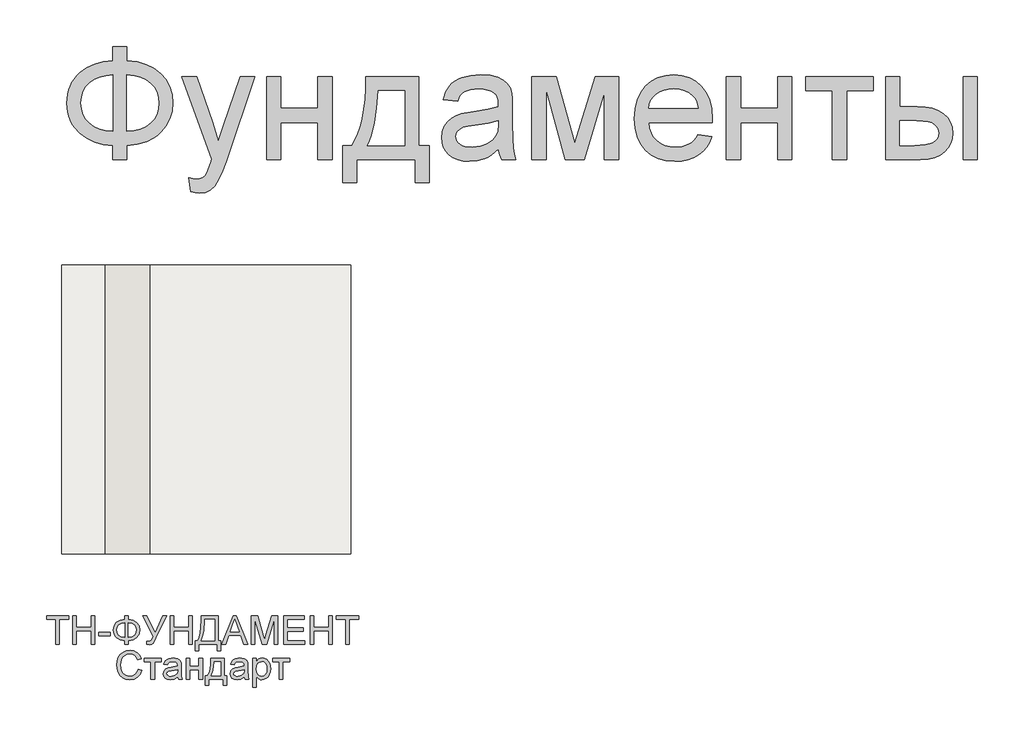
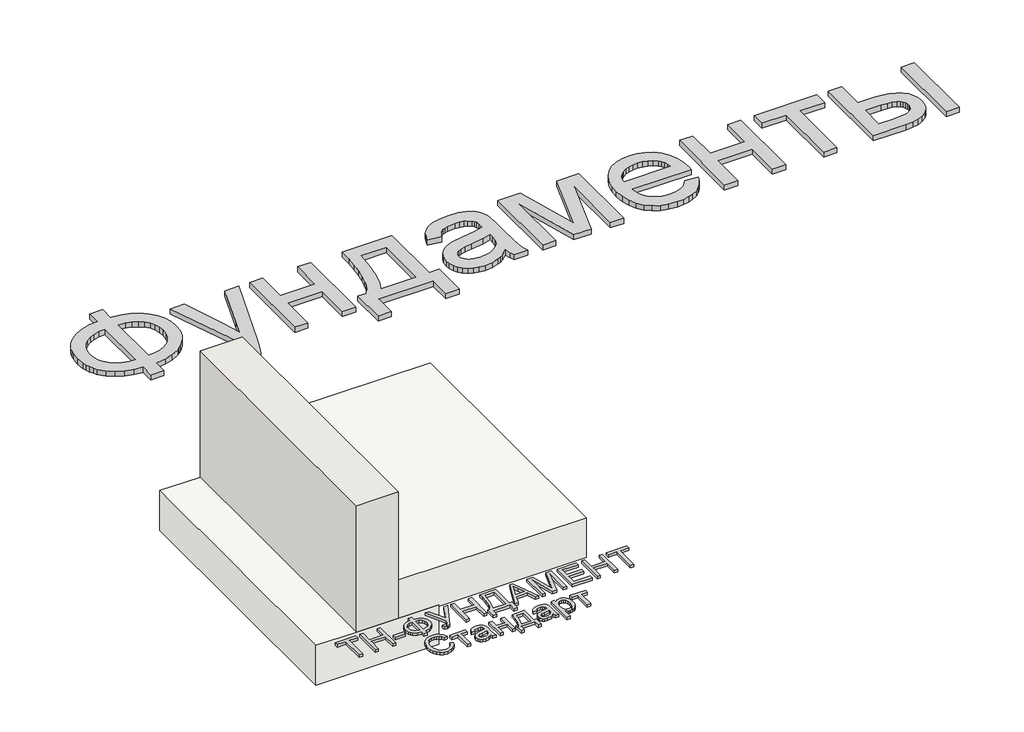
# One storey: 2 proxies, 2 slabs, 1 wall.
"""IFC4 building model written with IfcOpenShell, lengths in millimetres."""

from ifc_helpers import new_model, si_unit, frame, origin, origin_with_axes, place, context, project, spatial, polyline, outline, extrude, faceted_brep, element, save

model = new_model("IFC4")

# Units and contexts
model_context = context("Model", 3, world=origin())
ifc_project = project(units=[si_unit("LENGTHUNIT", "METRE", prefix="MILLI")], contexts=[model_context])

# Site, building, storey
site = spatial("IfcSite", under=ifc_project)
building = spatial("IfcBuilding", under=site)
storey = spatial("IfcBuildingStorey", under=building, Elevation=0.0)

# Proxies
placement = place(None, origin())
element("IfcBuildingElementProxy", 1, Name="Generic Models", at=placement, inside=storey, context=model_context, shape_type="SweptSolid", body=[
    extrude(outline(polyline([(-1939.8736325, -26885.7211043), (-1939.8736325, -26787.7817103), (-1841.9342386, -26787.7817103), (-1841.9342386, -26885.7211043), (-1772.0723186, -26894.3529698), (-1709.9695132, -26912.2144755), (-1655.6258224, -26939.3056213), (-1609.0412461, -26975.6264073), (-1571.6743546, -27019.0607113), (-1544.9837177, -27067.4924111), (-1528.9693356, -27120.9215067), (-1523.6312083, -27179.3479982), (-1528.8019587, -27236.6028514), (-1544.3142102, -27289.3863505), (-1570.1679625, -27337.6984954), (-1606.3632158, -27381.5392861), (-1628.1416397, -27401.1761824), (-1652.1109076, -27418.4817577), (-1706.6219753, -27446.0989452), (-1769.896419, -27464.3908486), (-1841.9342386, -27473.3574679), (-1841.9342386, -27571.2968619), (-1939.8736325, -27571.2968619), (-1939.8736325, -27473.3574679), (-2005.3060425, -27466.0586398), (-2065.0237272, -27449.518216), (-2119.0266865, -27423.7361966), (-2167.3149204, -27388.7125816), (-2207.0669327, -27345.8939854), (-2222.6837947, -27322.10405), (-2235.4612272, -27296.7270228), (-2245.3992303, -27269.7629041), (-2252.4978039, -27241.2116938), (-2258.1766628, -27179.3479982), (-2252.5157371, -27117.2033486), (-2245.4395801, -27088.5878775), (-2235.5329602, -27061.6103088), (-2222.7958774, -27036.2706426), (-2207.2283318, -27012.5688789), (-2188.8303234, -26990.5050176), (-2167.6018522, -26970.0790588), (-2119.4032845, -26935.3961753), (-2065.382392, -26909.775555), (-2005.5391746, -26893.217198), (-1939.8736325, -26885.7211043)]), holes=[polyline([(-1841.9342386, -26983.6604982), (-1841.9342386, -27375.418074), (-1793.3949393, -27370.2234125), (-1750.3073446, -27359.2303372), (-1712.6714545, -27342.4388481), (-1680.4872689, -27319.8489452), (-1654.7112272, -27291.9627591), (-1636.2997689, -27259.2824206), (-1625.2528939, -27221.8079296), (-1621.5706022, -27179.5392861), (-1625.1871387, -27137.922217), (-1636.036748, -27100.872146), (-1654.1194303, -27068.389073), (-1679.4351855, -27040.4729982), (-1711.2905951, -27017.6977852), (-1748.9922405, -27000.6372975), (-1792.5401216, -26989.2915352), (-1841.9342386, -26983.6604982)]), polyline([(-1939.8736325, -26983.6604982), (-1986.781007, -26988.5861611), (-2028.989873, -26999.3461043), (-2066.5002305, -27015.9403278), (-2099.3120795, -27038.3688316), (-2125.9668498, -27066.2012179), (-2145.0059715, -27099.0070891), (-2156.4294445, -27136.7864452), (-2160.2372689, -27179.5392861), (-2156.4772665, -27221.9035735), (-2145.1972594, -27259.4737085), (-2126.3972476, -27292.2496909), (-2100.077231, -27320.231521), (-2067.5044919, -27342.8692459), (-2029.9463124, -27359.612913), (-1987.4026926, -27370.4625224), (-1939.8736325, -27375.418074), (-1939.8736325, -26983.6604982)])]), origin_with_axes(), (0.0, 0.0, 1.0), 40.0),
    extrude(outline(polyline([(-1401.2069658, -27791.6604982), (-1413.4493901, -27697.355574), (-1386.764731, -27703.8115399), (-1363.7145416, -27705.9635285), (-1337.5559242, -27703.2615872), (-1317.2315871, -27695.1557634), (-1301.4025151, -27682.2199206), (-1288.7296931, -27665.0279225), (-1261.9493901, -27592.9123922), (-1254.2978749, -27569.1926952), (-1462.4190871, -26995.9029225), (-1359.1236325, -26995.9029225), (-1248.7505264, -27315.35368), (-1210.3016628, -27443.1339831), (-1171.8527992, -27330.2741346), (-1058.4190871, -26995.9029225), (-955.888784, -26995.9029225), (-1156.1671931, -27585.0695891), (-1185.9124583, -27663.4019755), (-1208.1974961, -27712.8498922), (-1234.8343333, -27753.6420323), (-1265.0099961, -27781.9048164), (-1300.0634999, -27798.403396), (-1341.3338598, -27803.9029225), (-1369.6922878, -27800.8423164), (-1401.2069658, -27791.6604982)])), origin_with_axes(), (0.0, 0.0, 1.0), 40.0),
    extrude(outline(polyline([(-874.7827234, -26995.9029225), (-776.8433295, -26995.9029225), (-776.8433295, -27216.2665588), (-519.7524204, -27216.2665588), (-519.7524204, -26995.9029225), (-421.8130264, -26995.9029225), (-421.8130264, -27571.2968619), (-519.7524204, -27571.2968619), (-519.7524204, -27314.2059528), (-776.8433295, -27314.2059528), (-776.8433295, -27571.2968619), (-874.7827234, -27571.2968619), (-874.7827234, -26995.9029225)])), origin_with_axes(), (0.0, 0.0, 1.0), 40.0),
    extrude(outline(polyline([(-189.2069658, -26995.9029225), (178.0657614, -26995.9029225), (178.0657614, -27473.3574679), (251.5203069, -27473.3574679), (251.5203069, -27730.448377), (153.5809129, -27730.448377), (153.5809129, -27571.2968619), (-250.4190871, -27571.2968619), (-250.4190871, -27730.448377), (-348.358481, -27730.448377), (-348.358481, -27473.3574679), (-287.1463598, -27473.3574679), (-263.2293972, -27436.3970631), (-242.648017, -27392.9448259), (-225.4022192, -27343.0007563), (-211.4920037, -27286.5648543), (-200.9173707, -27223.6371199), (-193.67832, -27154.2175531), (-189.7748517, -27078.306154), (-189.2069658, -26995.9029225)]), holes=[polyline([(-103.5099961, -27093.8423164), (-111.5440871, -27213.7559054), (-126.4645416, -27316.979627), (-148.2713598, -27403.5134812), (-161.7571552, -27440.521708), (-176.9645416, -27473.3574679), (80.1263675, -27473.3574679), (80.1263675, -27093.8423164), (-103.5099961, -27093.8423164)])]), origin_with_axes(), (0.0, 0.0, 1.0), 40.0),
    extrude(outline(polyline([(728.9748523, -27497.8423164), (682.181055, -27537.964949), (658.2640924, -27552.8256261), (634.0004205, -27564.2192103), (583.3330436, -27578.7092672), (529.079019, -27583.5392861), (485.4713604, -27580.6341014), (447.2317179, -27571.9185475), (414.3600914, -27557.3926242), (386.8564811, -27537.0563316), (365.1393291, -27512.2008628), (349.6270777, -27484.1174111), (340.3197269, -27452.8059764), (337.2172766, -27418.2665588), (341.9038296, -27377.6657066), (355.9634887, -27340.7949679), (377.650752, -27309.2324679), (405.2201175, -27284.5563316), (437.619502, -27265.9057634), (473.796822, -27252.4199679), (558.5373523, -27237.6908013), (658.6765569, -27222.1964831), (728.4009887, -27204.0241346), (728.9748523, -27182.2173164), (727.2891279, -27158.4737085), (722.2319546, -27138.5080361), (713.8033325, -27122.3202994), (702.0032614, -27109.9104982), (681.6071914, -27097.5246081), (656.7636781, -27088.6775437), (627.4727217, -27083.369305), (593.734322, -27081.5998922), (535.391519, -27086.3103562), (512.8195493, -27092.1984362), (494.6472008, -27100.4417482), (479.7147908, -27111.6858888), (466.8626364, -27126.5764547), (456.0907378, -27145.1134457), (447.3990948, -27167.2968619), (349.4597008, -27155.0544376), (366.4604111, -27101.4938316), (378.0990829, -27079.0175058), (391.829966, -27059.4104982), (408.2448571, -27042.2782776), (427.9355531, -27027.2263126), (450.902054, -27014.2546033), (477.1443599, -27003.3631497), (537.3283088, -26988.5861611), (606.359322, -26983.6604982), (672.5688391, -26988.0122975), (725.0534508, -27001.0676952), (764.6261307, -27020.6986138), (792.0998523, -27044.7769755), (810.3200228, -27074.5461516), (822.1320493, -27111.2495134), (825.718697, -27145.1074679), (826.9142463, -27196.9464831), (826.9142463, -27318.7968619), (828.1576175, -27424.9377236), (831.8877311, -27488.94743), (839.2523145, -27531.0068524), (851.3990948, -27571.2968619), (753.4597008, -27571.2968619), (737.7740948, -27537.2476194), (728.9748523, -27497.8423164)]), holes=[polyline([(728.9748523, -27301.9635285), (663.171822, -27318.2708202), (570.9710645, -27331.9957255), (520.1602217, -27339.5037747), (486.7087539, -27347.8726194), (464.7823807, -27358.7282066), (448.546822, -27373.6964831), (438.5042084, -27391.6297217), (435.1566705, -27411.3801952), (436.9798831, -27426.599537), (442.4495209, -27440.5037747), (451.5655839, -27453.0929083), (464.328072, -27464.3669376), (480.6174305, -27473.6563552), (500.3141042, -27480.2916535), (549.9293978, -27485.5998922), (602.5335645, -27479.7417009), (626.5401932, -27472.4189618), (649.016519, -27462.167127), (686.7002311, -27436.2715304), (712.9066705, -27405.450271), (724.5274092, -27373.6964831), (728.4009887, -27329.700271), (728.9748523, -27301.9635285)])]), origin_with_axes(), (0.0, 0.0, 1.0), 40.0),
    extrude(outline(polyline([(961.5809129, -26995.9029225), (1130.1055342, -26995.9029225), (1259.9900039, -27456.5241346), (1400.0127311, -26995.9029225), (1561.4597008, -26995.9029225), (1561.4597008, -27571.2968619), (1463.5203069, -27571.2968619), (1463.5203069, -27107.9976194), (1322.7324281, -27571.2968619), (1194.1869736, -27571.2968619), (1059.5203069, -27085.8082255), (1059.5203069, -27571.2968619), (961.5809129, -27571.2968619), (961.5809129, -26995.9029225)])), origin_with_axes(), (0.0, 0.0, 1.0), 40.0),
    extrude(outline(polyline([(2111.2210645, -27399.9029225), (2207.2475796, -27412.1453467), (2192.5243907, -27450.6061658), (2172.6483845, -27484.4999869), (2147.6195611, -27513.8268098), (2117.4379205, -27538.5866346), (2082.4143055, -27558.2534196), (2042.8595588, -27572.3011232), (1998.7736805, -27580.7297454), (1950.1566705, -27583.5392861), (1889.3869025, -27578.6913339), (1835.2404773, -27564.1474774), (1787.717395, -27539.9077165), (1746.8176554, -27505.9720513), (1713.9280957, -27463.2849656), (1690.4355531, -27412.7909433), (1676.3400275, -27354.4899845), (1671.641519, -27288.3820891), (1676.3878495, -27220.0325389), (1690.626841, -27159.7888126), (1714.3584934, -27107.6509102), (1747.5828069, -27063.6188316), (1788.374947, -27028.6370607), (1834.8100796, -27003.6500816), (1886.8882046, -26988.6578941), (1944.609322, -26983.6604982), (2000.4713604, -26988.6459386), (2050.9892936, -27003.6022596), (2096.1631218, -27028.5294613), (2135.9928448, -27063.4275437), (2168.5058064, -27107.3639783), (2191.7293504, -27159.4062369), (2205.6634769, -27219.5543192), (2210.3081857, -27287.8082255), (2209.734322, -27314.2059528), (1769.5809129, -27314.2059528), (1775.2537941, -27353.2884575), (1786.5338012, -27387.5170323), (1803.4209343, -27416.8916772), (1825.9151932, -27441.4123922), (1852.773207, -27460.7444234), (1882.7516042, -27474.5530172), (1915.850385, -27482.8381734), (1952.0695493, -27485.5998922), (2004.1954963, -27480.4829414), (2048.0960645, -27465.1320891), (2066.9618315, -27453.3798401), (2083.7712539, -27438.590896), (2098.5243315, -27420.7652567), (2111.2210645, -27399.9029225)]), holes=[polyline([(1769.5809129, -27216.2665588), (2112.3687917, -27216.2665588), (2107.3355294, -27188.5537274), (2099.1221061, -27164.5231876), (2087.7285218, -27144.1749395), (2073.1547766, -27127.5089831), (2046.4462065, -27107.4237558), (2016.0553448, -27093.0771649), (1981.9821914, -27084.4692103), (1944.2267463, -27081.5998922), (1909.7889504, -27083.889369), (1878.2085171, -27090.7577994), (1849.4854466, -27102.2051834), (1823.6197387, -27118.231521), (1801.9145422, -27138.0955716), (1785.6730057, -27161.0560948), (1774.8951293, -27187.1130906), (1769.5809129, -27216.2665588)])]), origin_with_axes(), (0.0, 0.0, 1.0), 40.0),
    extrude(outline(polyline([(2308.2475796, -26995.9029225), (2406.1869736, -26995.9029225), (2406.1869736, -27216.2665588), (2663.2778826, -27216.2665588), (2663.2778826, -26995.9029225), (2761.2172766, -26995.9029225), (2761.2172766, -27571.2968619), (2663.2778826, -27571.2968619), (2663.2778826, -27314.2059528), (2406.1869736, -27314.2059528), (2406.1869736, -27571.2968619), (2308.2475796, -27571.2968619), (2308.2475796, -26995.9029225)])), origin_with_axes(), (0.0, 0.0, 1.0), 40.0),
    extrude(outline(polyline([(2859.1566705, -26995.9029225), (3324.3687917, -26995.9029225), (3324.3687917, -27093.8423164), (3140.7324281, -27093.8423164), (3140.7324281, -27571.2968619), (3042.7930342, -27571.2968619), (3042.7930342, -27093.8423164), (2859.1566705, -27093.8423164), (2859.1566705, -26995.9029225)])), origin_with_axes(), (0.0, 0.0, 1.0), 40.0),
    extrude(outline(polyline([(3948.7324281, -26995.9029225), (4046.671822, -26995.9029225), (4046.671822, -27571.2968619), (3948.7324281, -27571.2968619), (3948.7324281, -26995.9029225)])), origin_with_axes(), (0.0, 0.0, 1.0), 40.0),
    extrude(outline(polyline([(3410.0657614, -26995.9029225), (3508.0051554, -26995.9029225), (3508.0051554, -27204.0241346), (3629.0903826, -27204.0241346), (3684.8089551, -27207.0907184), (3733.7487633, -27216.2904698), (3775.9098074, -27231.6233888), (3811.2920872, -27253.0894755), (3839.2858727, -27279.9474892), (3859.2814338, -27311.4561895), (3871.2787704, -27347.6155763), (3875.2778826, -27388.4256497), (3871.924367, -27424.8361019), (3861.8638201, -27458.5087463), (3845.096242, -27489.443583), (3821.6216326, -27517.6406119), (3790.7824399, -27541.1152212), (3751.9211118, -27557.8827994), (3705.0376483, -27567.9433462), (3650.1320493, -27571.2968619), (3410.0657614, -27571.2968619), (3410.0657614, -26995.9029225)]), holes=[polyline([(3508.0051554, -27473.3574679), (3608.6225796, -27473.3574679), (3686.6202122, -27468.2166062), (3715.8274802, -27461.790529), (3738.5070493, -27452.794021), (3755.495804, -27441.0716606), (3767.6306289, -27426.4680266), (3774.9115237, -27408.983119), (3777.3384887, -27388.6169376), (3775.5391871, -27372.1542245), (3770.1412823, -27356.6240399), (3761.1447742, -27342.0263836), (3748.5496629, -27328.3612558), (3729.8094286, -27316.8122501), (3702.3775512, -27308.5629603), (3666.2540308, -27303.6133865), (3621.4388675, -27301.9635285), (3508.0051554, -27301.9635285), (3508.0051554, -27473.3574679)])]), origin_with_axes(), (0.0, 0.0, 1.0), 40.0),
])
element("IfcBuildingElementProxy", 2, Name="Generic Models", at=placement, inside=storey, context=model_context, shape_type="SweptSolid", body=[
    extrude(outline(polyline([(-2334.1540222, -30929.3289166), (-2334.1540222, -30757.0212243), (-2398.7694068, -30757.0212243), (-2398.7694068, -30732.4058397), (-2244.923253, -30732.4058397), (-2244.923253, -30757.0212243), (-2309.5386376, -30757.0212243), (-2309.5386376, -30929.3289166), (-2334.1540222, -30929.3289166)])), origin_with_axes(), (0.0, 0.0, 1.0), 20.0),
    extrude(outline(polyline([(-2217.2309453, -30929.3289166), (-2217.2309453, -30732.4058397), (-2192.6155606, -30732.4058397), (-2192.6155606, -30812.4058397), (-2088.000176, -30812.4058397), (-2088.000176, -30732.4058397), (-2063.3847914, -30732.4058397), (-2063.3847914, -30929.3289166), (-2088.000176, -30929.3289166), (-2088.000176, -30837.0212243), (-2192.6155606, -30837.0212243), (-2192.6155606, -30929.3289166), (-2217.2309453, -30929.3289166)])), origin_with_axes(), (0.0, 0.0, 1.0), 20.0),
    extrude(outline(polyline([(-2035.6924837, -30870.8673782), (-2035.6924837, -30846.2519936), (-1958.7694068, -30846.2519936), (-1958.7694068, -30870.8673782), (-2035.6924837, -30870.8673782)])), origin_with_axes(), (0.0, 0.0, 1.0), 20.0),
    extrude(outline(polyline([(-1857.2309453, -30757.0212243), (-1857.2309453, -30732.4058397), (-1832.6155606, -30732.4058397), (-1832.6155606, -30757.0212243), (-1799.4484933, -30763.6798782), (-1774.0819068, -30779.6173782), (-1757.9821472, -30802.7063205), (-1752.6155606, -30830.8193012), (-1757.813878, -30858.4755512), (-1773.4088299, -30881.6366089), (-1798.6071472, -30897.8625705), (-1832.6155606, -30904.713532), (-1832.6155606, -30929.3289166), (-1857.2309453, -30929.3289166), (-1857.2309453, -30904.713532), (-1888.6852722, -30898.7219455), (-1914.3944068, -30883.4394936), (-1924.3853924, -30872.6777748), (-1931.5218106, -30860.3205032), (-1937.2309453, -30830.8193012), (-1931.5398395, -30801.2279551), (-1924.4259573, -30788.9022339), (-1914.4665222, -30778.2231474), (-1888.7754164, -30763.0668974), (-1857.2309453, -30757.0212243)]), holes=[polyline([(-1857.2309453, -30781.6366089), (-1879.6287818, -30785.5789166), (-1897.3030606, -30795.3866089), (-1908.7874356, -30810.6269936), (-1912.6155606, -30830.8673782), (-1908.8355126, -30850.9575224), (-1897.4953683, -30866.2279551), (-1879.8691664, -30876.1257916), (-1857.2309453, -30880.0981474), (-1857.2309453, -30781.6366089)]), polyline([(-1832.6155606, -30781.6366089), (-1832.6155606, -30880.0981474), (-1809.5867145, -30876.0296378), (-1792.0386376, -30866.1318012), (-1780.9328683, -30850.9094455), (-1777.2309453, -30830.8673782), (-1780.8667626, -30811.0957436), (-1791.7742145, -30795.9154551), (-1809.2561856, -30785.9034359), (-1832.6155606, -30781.6366089)])]), origin_with_axes(), (0.0, 0.0, 1.0), 20.0),
    extrude(outline(polyline([(-1732.6155606, -30732.4058397), (-1705.3559453, -30732.4058397), (-1646.4617145, -30849.0404551), (-1593.4809453, -30732.4058397), (-1566.4617145, -30732.4058397), (-1641.2213299, -30885.8193012), (-1661.5578683, -30923.5116089), (-1671.2093106, -30930.182282), (-1684.298253, -30932.4058397), (-1706.4617145, -30929.3289166), (-1706.4617145, -30907.7904551), (-1687.0867145, -30907.7904551), (-1672.7117145, -30902.3096859), (-1659.3944068, -30877.3577628), (-1732.6155606, -30732.4058397)])), origin_with_axes(), (0.0, 0.0, 1.0), 20.0),
    extrude(outline(polyline([(-1543.3847914, -30929.3289166), (-1543.3847914, -30732.4058397), (-1518.7694068, -30732.4058397), (-1518.7694068, -30812.4058397), (-1414.1540222, -30812.4058397), (-1414.1540222, -30732.4058397), (-1389.5386376, -30732.4058397), (-1389.5386376, -30929.3289166), (-1414.1540222, -30929.3289166), (-1414.1540222, -30837.0212243), (-1518.7694068, -30837.0212243), (-1518.7694068, -30929.3289166), (-1543.3847914, -30929.3289166)])), origin_with_axes(), (0.0, 0.0, 1.0), 20.0),
    extrude(outline(polyline([(-1328.000176, -30732.4058397), (-1211.0770991, -30732.4058397), (-1211.0770991, -30904.713532), (-1192.6155606, -30904.713532), (-1192.6155606, -30975.4827628), (-1217.2309453, -30975.4827628), (-1217.2309453, -30929.3289166), (-1343.3847914, -30929.3289166), (-1343.3847914, -30975.4827628), (-1368.000176, -30975.4827628), (-1368.000176, -30904.713532), (-1352.6155606, -30904.713532), (-1341.8463299, -30882.3848061), (-1334.1540222, -30850.9755512), (-1329.5386376, -30810.4857676), (-1328.000176, -30760.9154551), (-1328.000176, -30732.4058397)]), holes=[polyline([(-1235.6924837, -30757.0212243), (-1303.3847914, -30757.0212243), (-1303.3847914, -30766.9250705), (-1308.3847914, -30834.3769936), (-1315.7886376, -30873.3553589), (-1328.000176, -30904.713532), (-1235.6924837, -30904.713532), (-1235.6924837, -30757.0212243)])]), origin_with_axes(), (0.0, 0.0, 1.0), 20.0),
    extrude(outline(polyline([(-1184.7790222, -30929.3289166), (-1106.173253, -30732.4058397), (-1085.2117145, -30732.4058397), (-1006.6059453, -30929.3289166), (-1032.6155606, -30929.3289166), (-1055.1636376, -30867.7904551), (-1136.2694068, -30867.7904551), (-1158.7694068, -30929.3289166), (-1184.7790222, -30929.3289166)]), holes=[polyline([(-1127.2309453, -30843.1750705), (-1064.1540222, -30843.1750705), (-1081.8944068, -30794.7616089), (-1095.6924837, -30757.0212243), (-1107.9520991, -30790.5308397), (-1127.2309453, -30843.1750705)])]), origin_with_axes(), (0.0, 0.0, 1.0), 20.0),
    extrude(outline(polyline([(-980.3078683, -30929.3289166), (-980.3078683, -30732.4058397), (-937.9520991, -30732.4058397), (-897.6636376, -30871.2039166), (-889.5386376, -30900.1943012), (-880.7405606, -30868.8000705), (-841.125176, -30732.4058397), (-798.7694068, -30732.4058397), (-798.7694068, -30929.3289166), (-823.3847914, -30929.3289166), (-823.3847914, -30757.0212243), (-872.8559453, -30929.3289166), (-906.2213299, -30929.3289166), (-955.6924837, -30757.0212243), (-955.6924837, -30929.3289166), (-980.3078683, -30929.3289166)])), origin_with_axes(), (0.0, 0.0, 1.0), 20.0),
    extrude(outline(polyline([(-755.6924837, -30929.3289166), (-755.6924837, -30732.4058397), (-614.1540222, -30732.4058397), (-614.1540222, -30757.0212243), (-731.0770991, -30757.0212243), (-731.0770991, -30815.4827628), (-620.3078683, -30815.4827628), (-620.3078683, -30840.0981474), (-731.0770991, -30840.0981474), (-731.0770991, -30904.713532), (-611.0770991, -30904.713532), (-611.0770991, -30929.3289166), (-755.6924837, -30929.3289166)])), origin_with_axes(), (0.0, 0.0, 1.0), 20.0),
    extrude(outline(polyline([(-574.1540222, -30929.3289166), (-574.1540222, -30732.4058397), (-549.5386376, -30732.4058397), (-549.5386376, -30812.4058397), (-444.923253, -30812.4058397), (-444.923253, -30732.4058397), (-420.3078683, -30732.4058397), (-420.3078683, -30929.3289166), (-444.923253, -30929.3289166), (-444.923253, -30837.0212243), (-549.5386376, -30837.0212243), (-549.5386376, -30929.3289166), (-574.1540222, -30929.3289166)])), origin_with_axes(), (0.0, 0.0, 1.0), 20.0),
    extrude(outline(polyline([(-328.000176, -30929.3289166), (-328.000176, -30757.0212243), (-392.6155606, -30757.0212243), (-392.6155606, -30732.4058397), (-238.7694068, -30732.4058397), (-238.7694068, -30757.0212243), (-303.3847914, -30757.0212243), (-303.3847914, -30929.3289166), (-328.000176, -30929.3289166)])), origin_with_axes(), (0.0, 0.0, 1.0), 20.0),
    extrude(outline(polyline([(-1764.923253, -31102.4058397), (-1740.3078683, -31108.7519936), (-1751.6660414, -31137.4358878), (-1769.4905606, -31158.3914166), (-1792.9040222, -31171.2099262), (-1821.0290222, -31175.4827628), (-1849.5807049, -31172.2495897), (-1872.2549837, -31162.5500705), (-1889.6347914, -31146.7207436), (-1902.3030606, -31125.0981474), (-1910.0374356, -31099.6774743), (-1912.6155606, -31072.4539166), (-1909.7008972, -31043.7399743), (-1900.9569068, -31018.9443012), (-1886.8403203, -30998.854157), (-1867.8078683, -30984.2568012), (-1845.235753, -30975.3685801), (-1820.500176, -30972.4058397), (-1793.5109933, -30976.2399743), (-1771.1972914, -30987.7423782), (-1754.2561856, -31006.2039166), (-1743.3847914, -31030.9154551), (-1768.000176, -31036.7808397), (-1776.5338299, -31018.8301186), (-1788.1924837, -31006.5164166), (-1803.1203683, -30999.3950224), (-1821.4617145, -30997.0212243), (-1842.6035414, -30999.6534359), (-1859.9713299, -31007.5500705), (-1873.1504164, -31019.8818012), (-1881.7261376, -31035.8193012), (-1886.4316664, -31053.8361282), (-1888.000176, -31072.4058397), (-1886.1432049, -31095.1462243), (-1880.5722914, -31114.8096859), (-1871.0770991, -31130.6450224), (-1857.4472914, -31141.901032), (-1841.1071472, -31148.6257916), (-1823.4809453, -31150.8673782), (-1802.9340703, -31147.8144936), (-1785.812676, -31138.6558397), (-1772.8859933, -31123.4875705), (-1764.923253, -31102.4058397)])), origin_with_axes(), (0.0, 0.0, 1.0), 20.0),
    extrude(outline(polyline([(-1721.8463299, -31027.7904551), (-1604.923253, -31027.7904551), (-1604.923253, -31052.4058397), (-1651.0770991, -31052.4058397), (-1651.0770991, -31172.4058397), (-1675.6924837, -31172.4058397), (-1675.6924837, -31052.4058397), (-1721.8463299, -31052.4058397), (-1721.8463299, -31027.7904551)])), origin_with_axes(), (0.0, 0.0, 1.0), 20.0),
    extrude(outline(polyline([(-1491.0770991, -31153.9443012), (-1514.9472914, -31170.6269936), (-1541.3174837, -31175.4827628), (-1561.8883972, -31172.5620897), (-1577.062676, -31163.8000705), (-1586.4196472, -31150.494782), (-1589.5386376, -31133.9443012), (-1584.8270991, -31114.4731474), (-1572.4472914, -31100.338532), (-1555.2117145, -31092.2616089), (-1533.9136376, -31088.5596859), (-1491.2213299, -31080.0981474), (-1491.0770991, -31074.6173782), (-1492.7718106, -31063.6318012), (-1497.8559453, -31056.4443012), (-1509.2261376, -31051.1077628), (-1525.0674837, -31049.3289166), (-1549.9713299, -31054.0644936), (-1556.954503, -31060.6330032), (-1561.8463299, -31070.8673782), (-1586.4617145, -31067.7904551), (-1575.812676, -31043.7519936), (-1566.7381568, -31035.6630512), (-1554.3703683, -31029.6654551), (-1521.8944068, -31024.713532), (-1492.062676, -31029.088532), (-1475.2117145, -31040.0741089), (-1467.6636376, -31056.7808397), (-1466.4617145, -31078.3193012), (-1466.4617145, -31108.9443012), (-1465.2117145, -31151.7087243), (-1460.3078683, -31172.4058397), (-1484.923253, -31172.4058397), (-1491.0770991, -31153.9443012)]), holes=[polyline([(-1491.0770991, -31104.713532), (-1530.7886376, -31112.2616089), (-1551.9665222, -31116.2519936), (-1561.5578683, -31122.7423782), (-1564.923253, -31132.213532), (-1563.0903203, -31139.5332436), (-1557.5915222, -31145.5308397), (-1548.547051, -31149.5332436), (-1536.0770991, -31150.8673782), (-1522.8559453, -31149.3950224), (-1511.173253, -31144.9779551), (-1495.1155606, -31130.7231474), (-1491.2213299, -31111.6846859), (-1491.0770991, -31104.713532)])]), origin_with_axes(), (0.0, 0.0, 1.0), 20.0),
    extrude(outline(polyline([(-1432.6155606, -31027.7904551), (-1408.000176, -31027.7904551), (-1408.000176, -31083.1750705), (-1343.3847914, -31083.1750705), (-1343.3847914, -31027.7904551), (-1318.7694068, -31027.7904551), (-1318.7694068, -31172.4058397), (-1343.3847914, -31172.4058397), (-1343.3847914, -31107.7904551), (-1408.000176, -31107.7904551), (-1408.000176, -31172.4058397), (-1432.6155606, -31172.4058397), (-1432.6155606, -31027.7904551)])), origin_with_axes(), (0.0, 0.0, 1.0), 20.0),
    extrude(outline(polyline([(-1260.3078683, -31027.7904551), (-1168.000176, -31027.7904551), (-1168.000176, -31147.7904551), (-1149.5386376, -31147.7904551), (-1149.5386376, -31212.4058397), (-1174.1540222, -31212.4058397), (-1174.1540222, -31172.4058397), (-1275.6924837, -31172.4058397), (-1275.6924837, -31212.4058397), (-1300.3078683, -31212.4058397), (-1300.3078683, -31147.7904551), (-1284.923253, -31147.7904551), (-1273.7393587, -31127.5801186), (-1265.9088299, -31100.8433397), (-1261.4316664, -31067.5801186), (-1260.3078683, -31027.7904551)]), holes=[polyline([(-1238.7694068, -31052.4058397), (-1244.5386376, -31108.4875705), (-1257.2309453, -31147.7904551), (-1192.6155606, -31147.7904551), (-1192.6155606, -31052.4058397), (-1238.7694068, -31052.4058397)])]), origin_with_axes(), (0.0, 0.0, 1.0), 20.0),
    extrude(outline(polyline([(-1029.5386376, -31153.9443012), (-1053.4088299, -31170.6269936), (-1079.7790222, -31175.4827628), (-1100.3499356, -31172.5620897), (-1115.5242145, -31163.8000705), (-1124.8811856, -31150.494782), (-1128.000176, -31133.9443012), (-1123.2886376, -31114.4731474), (-1110.9088299, -31100.338532), (-1093.673253, -31092.2616089), (-1072.375176, -31088.5596859), (-1029.6828683, -31080.0981474), (-1029.5386376, -31074.6173782), (-1031.2333491, -31063.6318012), (-1036.3174837, -31056.4443012), (-1047.687676, -31051.1077628), (-1063.5290222, -31049.3289166), (-1088.4328683, -31054.0644936), (-1095.4160414, -31060.6330032), (-1100.3078683, -31070.8673782), (-1124.923253, -31067.7904551), (-1114.2742145, -31043.7519936), (-1105.1996953, -31035.6630512), (-1092.8319068, -31029.6654551), (-1060.3559453, -31024.713532), (-1030.5242145, -31029.088532), (-1013.673253, -31040.0741089), (-1006.125176, -31056.7808397), (-1004.923253, -31078.3193012), (-1004.923253, -31108.9443012), (-1003.673253, -31151.7087243), (-998.7694068, -31172.4058397), (-1023.3847914, -31172.4058397), (-1029.5386376, -31153.9443012)]), holes=[polyline([(-1029.5386376, -31104.713532), (-1069.250176, -31112.2616089), (-1090.4280606, -31116.2519936), (-1100.0194068, -31122.7423782), (-1103.3847914, -31132.213532), (-1101.5518587, -31139.5332436), (-1096.0530606, -31145.5308397), (-1087.0085895, -31149.5332436), (-1074.5386376, -31150.8673782), (-1061.3174837, -31149.3950224), (-1049.6347914, -31144.9779551), (-1033.5770991, -31130.7231474), (-1029.6828683, -31111.6846859), (-1029.5386376, -31104.713532)])]), origin_with_axes(), (0.0, 0.0, 1.0), 20.0),
    extrude(outline(polyline([(-971.0770991, -31227.7904551), (-971.0770991, -31027.7904551), (-946.4617145, -31027.7904551), (-946.4617145, -31051.9250705), (-929.4424837, -31031.5164166), (-918.9617145, -31026.4142532), (-906.4617145, -31024.713532), (-889.8150799, -31027.0933397), (-875.2597914, -31034.2327628), (-863.4088299, -31045.6991089), (-854.875176, -31061.0596859), (-849.718926, -31079.1967051), (-848.000176, -31098.9923782), (-849.9412818, -31120.0440609), (-855.7645991, -31138.8721859), (-865.2838299, -31154.5212243), (-878.312676, -31166.0356474), (-893.4869549, -31173.1209839), (-909.4424837, -31175.4827628), (-920.7585895, -31173.9022339), (-930.860753, -31169.1606474), (-946.4617145, -31153.1750705), (-946.4617145, -31227.7904551), (-971.0770991, -31227.7904551)]), holes=[polyline([(-946.4617145, -31101.2519936), (-943.7994549, -31123.3193012), (-935.812676, -31138.7519936), (-924.0278203, -31147.838532), (-909.9713299, -31150.8673782), (-895.6864741, -31147.7303589), (-883.6011376, -31138.3193012), (-875.3619549, -31122.3217051), (-872.6155606, -31099.4250705), (-875.2958491, -31077.4779551), (-883.3367145, -31061.8289166), (-895.1035414, -31052.4539166), (-908.9617145, -31049.3289166), (-922.8739741, -31052.6522339), (-935.0915222, -31062.6221859), (-943.6191664, -31078.9262724), (-946.4617145, -31101.2519936)])]), origin_with_axes(), (0.0, 0.0, 1.0), 20.0),
    extrude(outline(polyline([(-832.6155606, -31027.7904551), (-715.6924837, -31027.7904551), (-715.6924837, -31052.4058397), (-761.8463299, -31052.4058397), (-761.8463299, -31172.4058397), (-786.4617145, -31172.4058397), (-786.4617145, -31052.4058397), (-832.6155606, -31052.4058397), (-832.6155606, -31027.7904551)])), origin_with_axes(), (0.0, 0.0, 1.0), 20.0),
])

# Slabs
element("IfcSlab", 3, at=placement, inside=storey, context=model_context, shape_type="Brep", body=[
    faceted_brep([(-2293.6044048, -28302.6148653, -611.0), (-1382.6044048, -28302.6148653, -611.0), (-1382.6044048, -30302.6148653, -611.0), (-2293.6044048, -30302.6148653, -611.0), (-2293.6044048, -28302.6148653, -300.0), (-2293.6044048, -30302.6148653, -300.0), (-1993.6044048, -30302.6148653, -300.0), (-1682.6044048, -30302.6148653, -300.0), (-1382.6044048, -30302.6148653, -300.0), (-1382.6044048, -28302.6148653, -300.0), (-1682.6044048, -28302.6148653, -300.0), (-1993.6044048, -28302.6148653, -300.0), (-1382.6044048, -28302.6148653, -311.0), (-1382.6044048, -30302.6148653, -311.0)], [[[0, 1, 2, 3]], [[4, 5, 6, 7, 8, 9, 10, 11]], [[1, 0, 4, 11, 10, 9, 12]], [[2, 1, 12, 9, 8, 13]], [[3, 2, 13, 8, 7, 6, 5]], [[0, 3, 5, 4]]]),
])
element("IfcSlab", 4, at=placement, inside=storey, context=model_context, shape_type="SweptSolid", body=[
    extrude(outline(polyline([(0.0, -293.6044048), (0.0, -1682.6044048), (-300.0, -1682.6044048), (-300.0, -1382.6044048), (-311.0, -1382.6044048), (-311.0, -293.6044048), (0.0, -293.6044048)])), frame((0.0, -30302.6148653, 0.0), z_axis=(0.0, 1.0, 0.0), x_axis=(0.0, 0.0, 1.0)), (0.0, 0.0, 1.0), 2000.0),
])

# Wall
element("IfcWall", 5, at=placement, inside=storey, context=model_context, shape_type="Brep", body=[
    faceted_brep([(-1993.6044048, -30302.6148653, 689.0), (-1993.6044048, -28302.6148653, 689.0), (-1993.6044048, -28302.6148653, -300.0), (-1993.6044048, -30302.6148653, -300.0), (-1682.6044048, -28302.6148653, 689.0), (-1682.6044048, -30302.6148653, 689.0), (-1682.6044048, -30302.6148653, 0.0), (-1682.6044048, -30302.6148653, -300.0), (-1682.6044048, -28302.6148653, -300.0), (-1682.6044048, -28302.6148653, 0.0)], [[[0, 1, 2, 3]], [[4, 5, 6, 7, 8, 9]], [[5, 0, 3, 7, 6]], [[1, 0, 5, 4]], [[1, 4, 9, 8, 2]], [[3, 2, 8, 7]]]),
])

save(model, "model.ifc")
